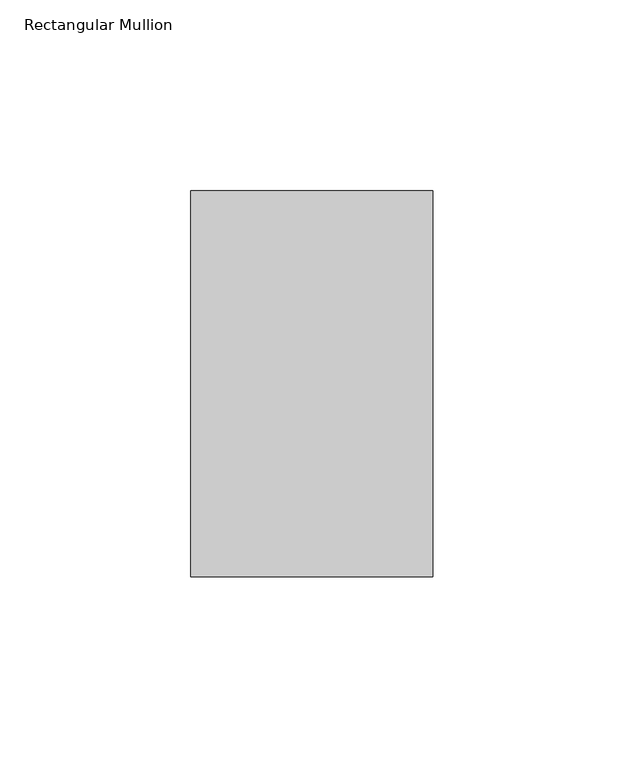
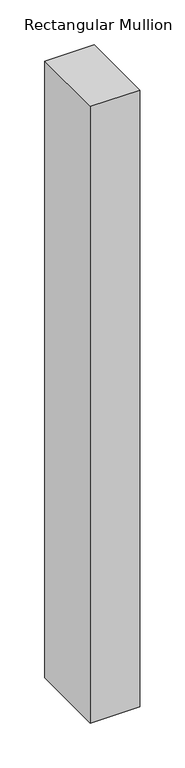
"""IFC4 building model written with IfcOpenShell, lengths in millimetres: member geometry, Rectangular Mullion."""

from ifc_helpers import new_model, si_unit, frame, origin, place, context, project, spatial, polyline, outline, extrude, source, transform, mapped, element, save


def rectangular_mullion_1e77c391(model_context):
    return source(origin(), model_context, "Body", "SweptSolid", [
        extrude(outline(polyline([(-31.75, 152.4896938), (31.75, 152.4896938), (31.75, 51.2960938), (-31.75, 51.2960937), (-31.75, 152.4896938)])), frame((0.0, 0.0, -838.2), z_axis=(0.0, 0.0, 1.0), x_axis=(1.0, 0.0, 0.0)), (0.0, 0.0, 1.0), 838.2),
    ])


if __name__ == "__main__":
    model = new_model("IFC4")
    model_context = context("Model", 3, world=origin())
    ifc_project = project(units=[si_unit("LENGTHUNIT", "METRE", prefix="MILLI")], contexts=[model_context])
    site = spatial("IfcSite", under=ifc_project)
    building = spatial("IfcBuilding", under=site)
    placement = place(None, origin())
    rectangular_mullion_shape = rectangular_mullion_1e77c391(model_context)
    element("IfcMember", 1, ObjectType="Rectangular Mullion", at=placement, inside=building, context=model_context, shape_type="MappedRepresentation", body=[
        mapped(rectangular_mullion_shape, transform((0.0, 0.0, 0.0), x_axis=(1.0, 0.0, 0.0), y_axis=(0.0, 1.0, 0.0), z_axis=(0.0, 0.0, 1.0))),
    ])
    save(model, "model.ifc")
